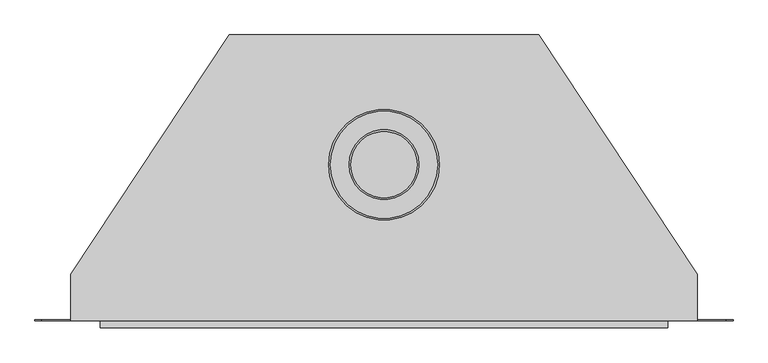
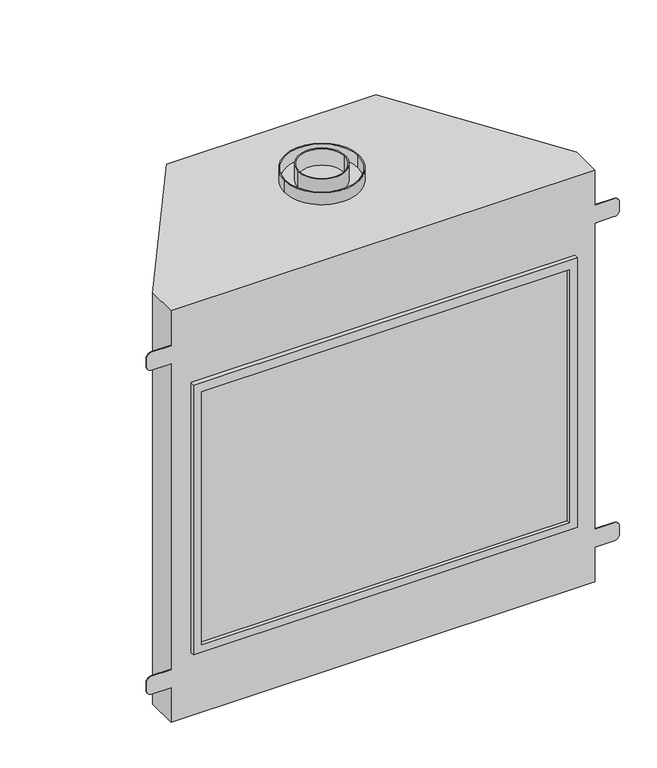
"""IFC4 building model written with IfcOpenShell, lengths in millimetres: proxy geometry."""

from ifc_helpers import new_model, si_unit, point, frame, frame_2d, origin, place, context, project, spatial, polyline, circle_curve, trimmed, segment, composite_curve, outline, extrude, source, transform, mapped, element, save
from ifc_brep_helpers import plane_surface, cylinder_surface, advanced_brep


def generic_models_dade2af1(model_context):
    return source(origin(), model_context, "Body", "SolidModel", [
        extrude(outline(composite_curve([segment(trimmed(circle_curve(frame_2d((0.0, 291.2363962)), 103.1875), [point((-103.1875, 291.2363962))], [point((103.1875, 291.2363962))], False, "CARTESIAN"), True, "CONTINUOUS"), segment(trimmed(circle_curve(frame_2d((0.0, 291.2363962)), 103.1875), [point((103.1875, 291.2363962))], [point((-103.1875, 291.2363962))], False, "CARTESIAN"), True, "CONTINUOUS")], self_intersect=False), holes=[composite_curve([segment(trimmed(circle_curve(frame_2d((0.0, 291.2363962)), 100.0125), [point((-100.0125, 291.2363962))], [point((100.0125, 291.2363962))], True, "CARTESIAN"), True, "CONTINUOUS"), segment(trimmed(circle_curve(frame_2d((0.0, 291.2363962)), 100.0125), [point((100.0125, 291.2363962))], [point((-100.0125, 291.2363962))], True, "CARTESIAN"), True, "CONTINUOUS")], self_intersect=False)]), frame((0.0, 0.0, 1198.5625738), z_axis=(0.0, 0.0, 1.0), x_axis=(1.0, 0.0, 0.0)), (0.0, 0.0, 1.0), 34.925),
        extrude(outline(composite_curve([segment(trimmed(circle_curve(frame_2d((0.0, 291.2363962)), 65.151), [point((-65.151, 291.2363962))], [point((65.151, 291.2363962))], False, "CARTESIAN"), True, "CONTINUOUS"), segment(trimmed(circle_curve(frame_2d((0.0, 291.2363962)), 65.151), [point((65.151, 291.2363962))], [point((-65.151, 291.2363962))], False, "CARTESIAN"), True, "CONTINUOUS")], self_intersect=False), holes=[composite_curve([segment(trimmed(circle_curve(frame_2d((0.0, 291.2363962)), 61.976), [point((-61.976, 291.2363962))], [point((61.976, 291.2363962))], True, "CARTESIAN"), True, "CONTINUOUS"), segment(trimmed(circle_curve(frame_2d((0.0, 291.2363962)), 61.976), [point((61.976, 291.2363962))], [point((-61.976, 291.2363962))], True, "CARTESIAN"), True, "CONTINUOUS")], self_intersect=False)]), frame((0.0, 0.0, 1198.5625738), z_axis=(0.0, 0.0, 1.0), x_axis=(1.0, 0.0, 0.0)), (0.0, 0.0, 1.0), 47.625),
        extrude(outline(polyline([(506.9981947, -1.5875), (-507.0489415, -1.5875), (-507.0489415, 0.0), (506.9981947, 0.0), (506.9981947, -1.5875)])), frame((0.0, 0.0, 206.5762536), z_axis=(0.0, 0.0, 1.0), x_axis=(1.0, 0.0, 0.0)), (0.0, 0.0, 1.0), 736.8419577),
        extrude(outline(polyline([(185.588942, 529.4337192), (970.7449498, 529.4337192), (970.7449498, -529.4845257), (185.588942, -529.4845257), (185.588942, 529.4337192)]), holes=[polyline([(943.4182113, -507.0489415), (943.4182113, 506.9981947), (206.5762536, 506.9981947), (206.5762536, -507.0489415), (943.4182113, -507.0489415)])]), frame((0.0, -12.7, 0.0), z_axis=(0.0, 1.0, 0.0), x_axis=(0.0, 0.0, 1.0)), (0.0, 0.0, 1.0), 12.7),
        advanced_brep(
        [(584.3318566, 1.5875, 1097.0321684), (638.6755254, 1.5875, 1097.0321684), (651.3683729, 1.5875, 1084.3725169), (651.3683731, 1.5875, 1057.856495), (638.7086804, 1.5875, 1045.1968001), (584.3318566, 1.5875, 1045.1967906), (584.3318566, 1.5875, 153.3648095), (638.7086763, 1.5875, 153.3648039), (651.3683699, 1.5875, 140.7051089), (651.3683699, 1.5875, 114.1914708), (638.708675, 1.5875, 101.5317758), (584.3318566, 1.5875, 101.5317758), (-584.33185, 1.5875, 101.5317758), (-638.7086643, 1.5875, 101.5317758), (-651.3683592, 1.5875, 114.1914708), (-651.3683592, 1.5875, 140.7050935), (-638.7086656, 1.5875, 153.3647884), (-584.33185, 1.5875, 153.3647941), (-584.33185, 1.5875, 1045.1977163), (-638.7086207, 1.5875, 1045.1977258), (-651.3683134, 1.5875, 1057.8574207), (-651.3683134, 1.5875, 1084.3597828), (-638.675471, 1.5875, 1097.0307383), (-584.33185, 1.5875, 1097.0307383), (584.3318566, 0.0, 1097.0321684), (584.3318566, 0.0, 1198.5625738), (-584.33185, 0.0, 1198.5625738), (-584.33185, 0.0, 1097.0307383), (-638.675471, 0.0, 1097.0307383), (-651.3683134, 0.0, 1084.3597828), (-651.3683134, 0.0, 1057.8574207), (-638.7086207, 0.0, 1045.1977258), (-584.33185, 0.0, 1045.1977163), (-584.33185, 0.0, 153.3647941), (-638.7086656, 0.0, 153.3647884), (-651.3683592, 0.0, 140.7050935), (-651.3683592, 0.0, 114.1914708), (-638.7086643, 0.0, 101.5317758), (-584.33185, 0.0, 101.5317758), (-584.33185, 0.0, 0.0), (584.3318566, 0.0, 0.0), (584.3318566, 0.0, 101.5317758), (638.708675, 0.0, 101.5317758), (651.3683699, 0.0, 114.1914708), (651.3683699, 0.0, 140.7051089), (638.7086763, 0.0, 153.3648039), (584.3318566, 0.0, 153.3648095), (584.3318566, 0.0, 1045.1967906), (638.7086804, 0.0, 1045.1968001), (651.3683731, 0.0, 1057.856495), (651.3683729, 0.0, 1084.3725169), (638.6755254, 0.0, 1097.0321684), (-288.6106256, 533.4000027, 1198.5625738), (288.6106773, 533.4000027, 1198.5625738), (288.6106773, 533.4000027, 0.0), (-288.6106256, 533.4000027, 0.0), (-584.33185, 86.6139694, 1198.5625738), (-584.33185, 86.6139694, 0.0), (584.3318566, 86.6140375, 1198.5625738), (584.3318566, 86.6140375, 0.0)],
        [
            (0, 1),
            (1, 2, circle_curve(frame((638.708678, 1.5875, 1084.3725169), z_axis=(0.0, 1.0, 0.0), x_axis=(1.0, 0.0, 0.0)), 12.6596949)),
            (2, 3),
            (3, 4, circle_curve(frame((638.7086782, 1.5875, 1057.856495), z_axis=(0.0, 1.0, 0.0), x_axis=(1.0, 0.0, 0.0)), 12.6596949)),
            (4, 5),
            (5, 0),
            (6, 7),
            (7, 8, circle_curve(frame((638.708675, 1.5875, 140.7051089), z_axis=(0.0, 1.0, 0.0), x_axis=(1.0, 0.0, 0.0)), 12.6596949)),
            (8, 9),
            (9, 10, circle_curve(frame((638.708675, 1.5875, 114.1914708), z_axis=(0.0, 1.0, 0.0), x_axis=(1.0, 0.0, 0.0)), 12.6596949)),
            (10, 11),
            (11, 6),
            (12, 13),
            (13, 14, circle_curve(frame((-638.7086643, 1.5875, 114.1914708), z_axis=(0.0, 1.0, 0.0), x_axis=(1.0, 0.0, 0.0)), 12.6596949)),
            (14, 15),
            (15, 16, circle_curve(frame((-638.7086643, 1.5875, 140.7050935), z_axis=(0.0, 1.0, 0.0), x_axis=(1.0, 0.0, 0.0)), 12.6596949)),
            (16, 17),
            (17, 12),
            (18, 19),
            (19, 20, circle_curve(frame((-638.7086185, 1.5875, 1057.8574207), z_axis=(0.0, 1.0, 0.0), x_axis=(1.0, 0.0, 0.0)), 12.6596949)),
            (20, 21),
            (21, 22, circle_curve(frame((-638.7086235, 1.5875, 1084.3710868), z_axis=(0.0, 1.0, 0.0), x_axis=(1.0, 0.0, 0.0)), 12.6596949)),
            (22, 23),
            (23, 18),
            (24, 25),
            (25, 26),
            (26, 27),
            (27, 28),
            (28, 29, circle_curve(frame((-638.7086235, 0.0, 1084.3710868), z_axis=(0.0, -1.0, 0.0), x_axis=(1.0, 0.0, 0.0)), 12.6596949)),
            (29, 30),
            (30, 31, circle_curve(frame((-638.7086185, 0.0, 1057.8574207), z_axis=(0.0, -1.0, 0.0), x_axis=(1.0, 0.0, 0.0)), 12.6596949)),
            (31, 32),
            (32, 33),
            (33, 34),
            (34, 35, circle_curve(frame((-638.7086643, 0.0, 140.7050935), z_axis=(0.0, -1.0, 0.0), x_axis=(1.0, 0.0, 0.0)), 12.6596949)),
            (35, 36),
            (36, 37, circle_curve(frame((-638.7086643, 0.0, 114.1914708), z_axis=(0.0, -1.0, 0.0), x_axis=(1.0, 0.0, 0.0)), 12.6596949)),
            (37, 38),
            (38, 39),
            (39, 40),
            (40, 41),
            (41, 42),
            (42, 43, circle_curve(frame((638.708675, 0.0, 114.1914708), z_axis=(0.0, -1.0, 0.0), x_axis=(1.0, 0.0, 0.0)), 12.6596949)),
            (43, 44),
            (44, 45, circle_curve(frame((638.708675, 0.0, 140.7051089), z_axis=(0.0, -1.0, 0.0), x_axis=(1.0, 0.0, 0.0)), 12.6596949)),
            (45, 46),
            (46, 47),
            (47, 48),
            (48, 49, circle_curve(frame((638.7086782, 0.0, 1057.856495), z_axis=(0.0, -1.0, 0.0), x_axis=(1.0, 0.0, 0.0)), 12.6596949)),
            (49, 50),
            (50, 51, circle_curve(frame((638.708678, 0.0, 1084.3725169), z_axis=(0.0, -1.0, 0.0), x_axis=(1.0, 0.0, 0.0)), 12.6596949)),
            (51, 24),
            (52, 53),
            (53, 54),
            (54, 55),
            (55, 52),
            (56, 52),
            (55, 57),
            (57, 56),
            (53, 58),
            (58, 59),
            (59, 54),
            (24, 0),
            (5, 47),
            (46, 6),
            (11, 41),
            (40, 59),
            (58, 25),
            (56, 26),
            (57, 39),
            (38, 12),
            (17, 33),
            (32, 18),
            (23, 27),
            (22, 28),
            (21, 29),
            (20, 30),
            (19, 31),
            (16, 34),
            (15, 35),
            (14, 36),
            (13, 37),
            (10, 42),
            (9, 43),
            (8, 44),
            (7, 45),
            (4, 48),
            (3, 49),
            (2, 50),
            (1, 51),
        ],
        [
            plane_surface(frame((584.3318566, 1.5875, 1078.7325601), z_axis=(0.0, 1.0, 0.0), x_axis=(0.0, 0.0, -1.0))),
            plane_surface(frame((584.3318566, 0.0, 1078.7325601), z_axis=(0.0, -1.0, 0.0), x_axis=(0.0, 0.0, 1.0))),
            plane_surface(frame((288.6106773, 533.4000027, 1198.5625738), z_axis=(0.0, 1.0, 0.0), x_axis=(0.0, 0.0, -1.0))),
            plane_surface(frame((-288.6106256, 533.4000027, 1198.5625738), z_axis=(-0.8338858220671689, 0.5519369853120571, 0.0), x_axis=(0.0, 0.0, -1.0))),
            plane_surface(frame((584.3318566, 86.6140375, 1198.5625738), z_axis=(0.833885822067169, 0.551936985312057, 0.0), x_axis=(0.0, 0.0, -1.0))),
            plane_surface(frame((584.3318566, 0.0, 1097.0321684), z_axis=(1.0, 0.0, 0.0), x_axis=(0.0, 1.0, 0.0))),
            plane_surface(frame((584.3318566, 0.0, 1198.5625738), z_axis=(0.0, 0.0, 1.0), x_axis=(0.0, 1.0, 0.0))),
            plane_surface(frame((-584.33185, 0.0, 1198.5625738), z_axis=(-1.0, 0.0, 0.0), x_axis=(0.0, 1.0, 0.0))),
            plane_surface(frame((-584.33185, 0.0, 1097.0307383), z_axis=(0.0, 0.0, 1.0), x_axis=(0.0, 1.0, 0.0))),
            cylinder_surface(frame((-638.7086235, 1.5875, 1084.3710868), z_axis=(0.0, -1.0, 0.0), x_axis=(1.0, 0.0, 0.0)), 12.6596949),
            plane_surface(frame((-651.3683134, 0.0, 1084.3597828), z_axis=(-1.0, 0.0, 0.0), x_axis=(0.0, 1.0, 0.0))),
            cylinder_surface(frame((-638.7086185, 1.5875, 1057.8574207), z_axis=(0.0, -1.0, 0.0), x_axis=(1.0, 0.0, 0.0)), 12.6596949),
            plane_surface(frame((-638.7086207, 0.0, 1045.1977258), z_axis=(-1.737727883359315e-07, 0.0, -0.9999999999999849), x_axis=(0.0, 1.0, 0.0))),
            plane_surface(frame((-584.33185, 0.0, 153.3647941), z_axis=(-1.0381910233426933e-07, 0.0, 0.9999999999999947), x_axis=(0.0, 1.0, 0.0))),
            cylinder_surface(frame((-638.7086643, 1.5875, 140.7050935), z_axis=(0.0, -1.0, 0.0), x_axis=(1.0, 0.0, 0.0)), 12.6596949),
            plane_surface(frame((-651.3683592, 0.0, 140.7050935), z_axis=(-1.0, 0.0, 0.0), x_axis=(0.0, 1.0, 0.0))),
            cylinder_surface(frame((-638.7086643, 1.5875, 114.1914708), z_axis=(0.0, -1.0, 0.0), x_axis=(1.0, 0.0, 0.0)), 12.6596949),
            plane_surface(frame((-638.7086643, 0.0, 101.5317758), z_axis=(0.0, 0.0, -1.0), x_axis=(0.0, 1.0, 0.0))),
            plane_surface(frame((-584.33185, 0.0, 0.0), z_axis=(0.0, 0.0, -1.0), x_axis=(0.0, 1.0, 0.0))),
            plane_surface(frame((584.3318566, 0.0, 101.5317758), z_axis=(0.0, 0.0, -1.0), x_axis=(0.0, 1.0, 0.0))),
            cylinder_surface(frame((638.708675, 1.5875, 114.1914708), z_axis=(0.0, -1.0, 0.0), x_axis=(1.0, 0.0, 0.0)), 12.6596949),
            plane_surface(frame((651.3683699, 0.0, 114.1914708), z_axis=(1.0, 0.0, 0.0), x_axis=(0.0, 1.0, 0.0))),
            cylinder_surface(frame((638.708675, 1.5875, 140.7051089), z_axis=(0.0, -1.0, 0.0), x_axis=(1.0, 0.0, 0.0)), 12.6596949),
            plane_surface(frame((638.7086763, 0.0, 153.3648039), z_axis=(1.0381913932778983e-07, 0.0, 0.9999999999999947), x_axis=(0.0, 1.0, 0.0))),
            plane_surface(frame((584.3318566, 0.0, 1045.1967906), z_axis=(1.7377284030616846e-07, 0.0, -0.9999999999999849), x_axis=(0.0, 1.0, 0.0))),
            cylinder_surface(frame((638.7086782, 1.5875, 1057.856495), z_axis=(0.0, -1.0, 0.0), x_axis=(1.0, 0.0, 0.0)), 12.6596949),
            plane_surface(frame((651.3683731, 0.0, 1057.856495), z_axis=(1.0, 0.0, 7.842188858612803e-09), x_axis=(0.0, 1.0, 0.0))),
            cylinder_surface(frame((638.708678, 1.5875, 1084.3725169), z_axis=(0.0, -1.0, 0.0), x_axis=(1.0, 0.0, 0.0)), 12.6596949),
            plane_surface(frame((638.6755254, 0.0, 1097.0321684), z_axis=(0.0, 0.0, 1.0), x_axis=(0.0, 1.0, 0.0))),
        ],
        [
            (0, [[1, 2, 3, 4, 5, 6]]),
            (0, [[7, 8, 9, 10, 11, 12]]),
            (0, [[13, 14, 15, 16, 17, 18]]),
            (0, [[19, 20, 21, 22, 23, 24]]),
            (1, [[25, 26, 27, 28, 29, 30, 31, 32, 33, 34, 35, 36, 37, 38, 39, 40, 41, 42, 43, 44, 45, 46, 47, 48, 49, 50, 51, 52]]),
            (2, [[53, 54, 55, 56]]),
            (3, [[57, -56, 58, 59]]),
            (4, [[60, 61, 62, -54]]),
            (5, [[-25, 63, -6, 64, -47, 65, -12, 66, -41, 67, -61, 68]]),
            (6, [[-26, -68, -60, -53, -57, 69]]),
            (7, [[-27, -69, -59, 70, -39, 71, -18, 72, -33, 73, -24, 74]]),
            (8, [[-23, 75, -28, -74]]),
            (9, [[-22, 76, -29, -75]]),
            (10, [[-21, 77, -30, -76]]),
            (11, [[-20, 78, -31, -77]]),
            (12, [[-19, -73, -32, -78]]),
            (13, [[-17, 79, -34, -72]]),
            (14, [[-16, 80, -35, -79]]),
            (15, [[-15, 81, -36, -80]]),
            (16, [[-14, 82, -37, -81]]),
            (17, [[-13, -71, -38, -82]]),
            (18, [[-67, -40, -70, -58, -55, -62]]),
            (19, [[-11, 83, -42, -66]]),
            (20, [[-10, 84, -43, -83]]),
            (21, [[-9, 85, -44, -84]]),
            (22, [[-8, 86, -45, -85]]),
            (23, [[-7, -65, -46, -86]]),
            (24, [[-5, 87, -48, -64]]),
            (25, [[-4, 88, -49, -87]]),
            (26, [[-3, 89, -50, -88]]),
            (27, [[-2, 90, -51, -89]]),
            (28, [[-1, -63, -52, -90]]),
        ],
    ),
    ])


if __name__ == "__main__":
    model = new_model("IFC4")
    model_context = context("Model", 3, world=origin())
    ifc_project = project(units=[si_unit("LENGTHUNIT", "METRE", prefix="MILLI")], contexts=[model_context])
    site = spatial("IfcSite", under=ifc_project)
    building = spatial("IfcBuilding", under=site)
    placement = place(None, origin())
    generic_models_shape = generic_models_dade2af1(model_context)
    element("IfcBuildingElementProxy", 1, Name="Generic Models", at=placement, inside=building, context=model_context, shape_type="MappedRepresentation", body=[
        mapped(generic_models_shape, transform((0.0, 0.0, 0.0), x_axis=(1.0, 0.0, 0.0), y_axis=(0.0, 1.0, 0.0), z_axis=(0.0, 0.0, 1.0))),
    ])
    save(model, "model.ifc")
